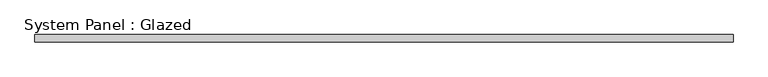
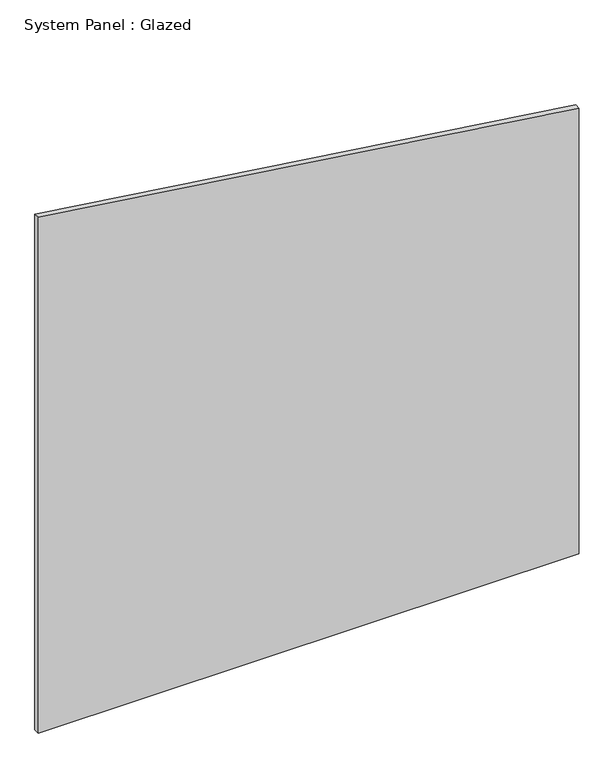
"""IFC4 building model written with IfcOpenShell, lengths in millimetres: plate geometry, System Panel : Glazed."""

from ifc_helpers import new_model, si_unit, frame, origin, place, context, project, spatial, polyline, outline, extrude, source, transform, mapped, element, save


def system_panel_glazed_f2d69d6d(model_context):
    return source(origin(), model_context, "Body", "SweptSolid", [
        extrude(outline(polyline([(0.0, -1171.7121958), (0.0, 1171.7121958), (2040.7016222, 1171.7121958), (2360.6725755, -1171.7121958), (0.0, -1171.7121958)])), frame((0.0, 24.5, 0.0), z_axis=(0.0, 1.0, 0.0), x_axis=(0.0, 0.0, 1.0)), (0.0, 0.0, 1.0), 25.0),
    ])


if __name__ == "__main__":
    model = new_model("IFC4")
    model_context = context("Model", 3, world=origin())
    ifc_project = project(units=[si_unit("LENGTHUNIT", "METRE", prefix="MILLI")], contexts=[model_context])
    site = spatial("IfcSite", under=ifc_project)
    building = spatial("IfcBuilding", under=site)
    placement = place(None, origin())
    system_panel_glazed_shape = system_panel_glazed_f2d69d6d(model_context)
    element("IfcPlate", 1, ObjectType="System Panel : Glazed", at=placement, inside=building, context=model_context, shape_type="MappedRepresentation", body=[
        mapped(system_panel_glazed_shape, transform((0.0, 0.0, 0.0), x_axis=(1.0, 0.0, 0.0), y_axis=(0.0, 1.0, 0.0), z_axis=(0.0, 0.0, 1.0))),
    ])
    save(model, "model.ifc")
